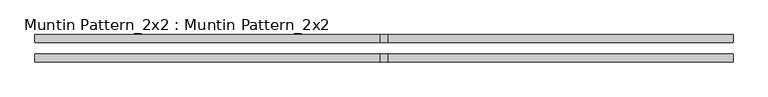
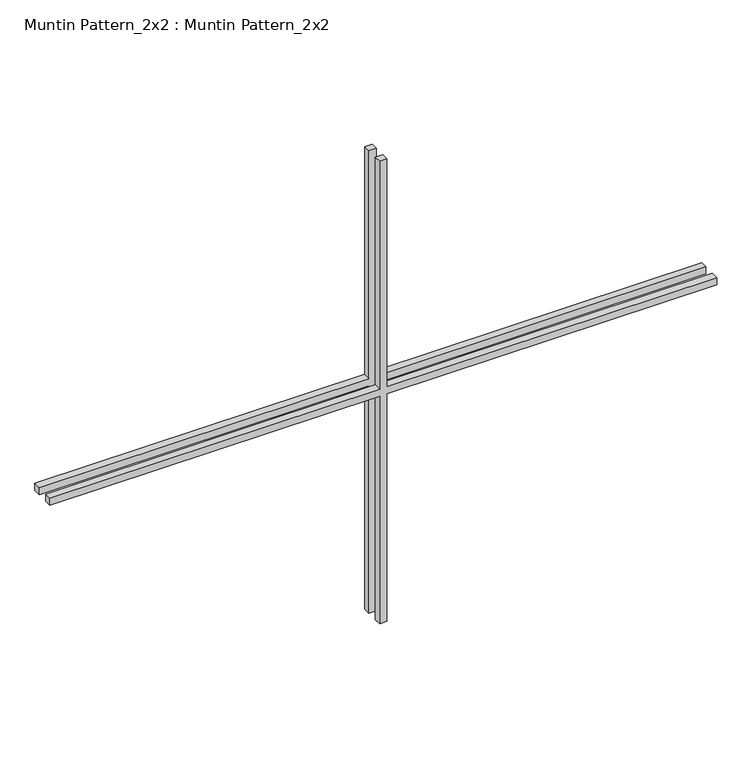
"""IFC4 building model written with IfcOpenShell, lengths in millimetres: proxy geometry, Muntin Pattern_2x2 : Muntin Pattern_2x2."""

from ifc_helpers import new_model, si_unit, frame, origin, place, context, project, spatial, polyline, outline, extrude, source, transform, mapped, element, save


def muntin_pattern_2x2_muntin_pattern_2x2_425d11a4(model_context):
    return source(origin(), model_context, "Body", "SweptSolid", [
        extrude(outline(polyline([(425.45, -6.35), (425.45, -571.5), (412.75, -571.5), (412.75, -6.35), (0.0, -6.35), (0.0, 6.35), (412.75, 6.35), (412.75, 571.5), (425.45, 571.5), (425.45, 6.35), (838.2, 6.35), (838.2, -6.35), (425.45, -6.35)])), frame((0.0, -22.225, 0.0), z_axis=(0.0, 1.0, 0.0), x_axis=(0.0, 0.0, 1.0)), (0.0, 0.0, 1.0), 12.7),
        extrude(outline(polyline([(425.45, -6.35), (425.45, -571.5), (412.75, -571.5), (412.75, -6.35), (0.0, -6.35), (0.0, 6.35), (412.75, 6.35), (412.75, 571.5), (425.45, 571.5), (425.45, 6.35), (838.2, 6.35), (838.2, -6.35), (425.45, -6.35)])), frame((0.0, 9.525, 0.0), z_axis=(0.0, 1.0, 0.0), x_axis=(0.0, 0.0, 1.0)), (0.0, 0.0, 1.0), 12.7),
    ])


if __name__ == "__main__":
    model = new_model("IFC4")
    model_context = context("Model", 3, world=origin())
    ifc_project = project(units=[si_unit("LENGTHUNIT", "METRE", prefix="MILLI")], contexts=[model_context])
    site = spatial("IfcSite", under=ifc_project)
    building = spatial("IfcBuilding", under=site)
    placement = place(None, origin())
    muntin_pattern_2x2_muntin_pattern_2x2_shape = muntin_pattern_2x2_muntin_pattern_2x2_425d11a4(model_context)
    element("IfcBuildingElementProxy", 1, Name="Muntin Pattern_2x2 : Muntin Pattern_2x2", ObjectType="Muntin Pattern_2x2 : Muntin Pattern_2x2", at=placement, inside=building, context=model_context, shape_type="MappedRepresentation", body=[
        mapped(muntin_pattern_2x2_muntin_pattern_2x2_shape, transform((0.0, 0.0, 0.0), x_axis=(1.0, 0.0, 0.0), y_axis=(0.0, 1.0, 0.0), z_axis=(0.0, 0.0, 1.0))),
    ])
    save(model, "model.ifc")
